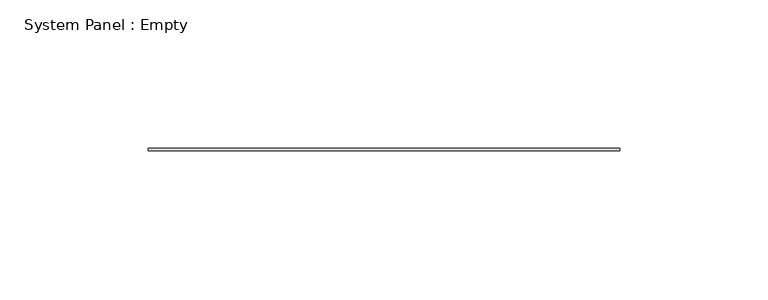
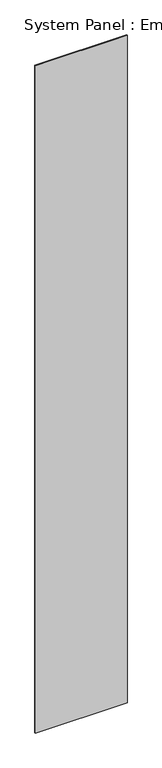
"""IFC4 building model written with IfcOpenShell, lengths in millimetres: plate geometry, System Panel : Empty."""

from ifc_helpers import new_model, si_unit, origin, origin_with_axes, place, context, project, spatial, polyline, outline, extrude, source, transform, mapped, element, save


def system_panel_empty_8b76312f(model_context):
    return source(origin(), model_context, "Body", "SweptSolid", [
        extrude(outline(polyline([(79.375, -0.396875), (-79.375, -0.396875), (-79.375, 0.396875), (79.375, 0.396875), (79.375, -0.396875)])), origin_with_axes(), (0.0, 0.0, 1.0), 1219.2),
    ])


if __name__ == "__main__":
    model = new_model("IFC4")
    model_context = context("Model", 3, world=origin())
    ifc_project = project(units=[si_unit("LENGTHUNIT", "METRE", prefix="MILLI")], contexts=[model_context])
    site = spatial("IfcSite", under=ifc_project)
    building = spatial("IfcBuilding", under=site)
    placement = place(None, origin())
    system_panel_empty_shape = system_panel_empty_8b76312f(model_context)
    element("IfcPlate", 1, ObjectType="System Panel : Empty", at=placement, inside=building, context=model_context, shape_type="MappedRepresentation", body=[
        mapped(system_panel_empty_shape, transform((0.0, 0.0, 0.0), x_axis=(1.0, 0.0, 0.0), y_axis=(0.0, 1.0, 0.0), z_axis=(0.0, 0.0, 1.0))),
    ])
    save(model, "model.ifc")
